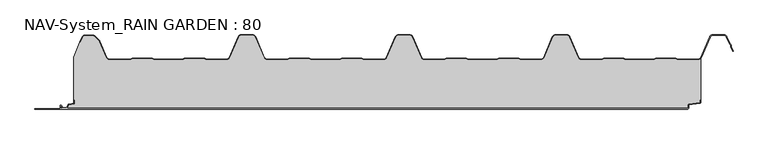
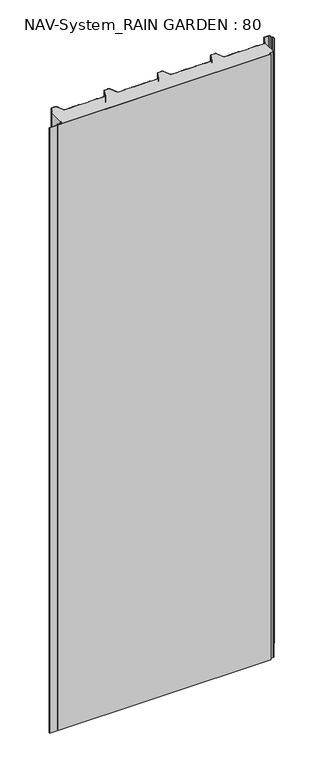
"""IFC4 building model written with IfcOpenShell, lengths in millimetres: plate geometry, NAV-System_RAIN GARDEN : 80."""

from ifc_helpers import new_model, si_unit, point, frame, frame_2d, origin, origin_with_axes, place, context, project, spatial, polyline, circle_curve, trimmed, segment, composite_curve, outline, extrude, source, transform, mapped, element, save


def nav_system_rain_garden_80_a36d8ceb(model_context):
    return source(origin(), model_context, "Body", "SweptSolid", [
        extrude(outline(composite_curve([segment(polyline([(14.6767555, 519.0), (14.6767555, 518.2), (10.3721283, 518.2), (7.8818536, 500.4911207)]), True, "CONTINUOUS"), segment(trimmed(circle_curve(frame_2d((6.3964683, 500.7)), 1.5), [point((7.8818536, 500.4911207))], [point((6.3964683, 499.2))], False, "CARTESIAN"), True, "CONTINUOUS"), segment(polyline([(6.3964683, 499.2), (1.8, 499.2), (1.8, -498.7)]), True, "CONTINUOUS"), segment(trimmed(circle_curve(frame_2d((2.3, -498.7)), 0.5), [point((1.8, -498.7))], [point((2.3, -499.2))], True, "CARTESIAN"), True, "CONTINUOUS"), segment(polyline([(2.3, -499.2), (5.3700191, -499.2)]), True, "CONTINUOUS"), segment(trimmed(circle_curve(frame_2d((5.3700191, -498.7)), 0.5), [point((5.3700191, -499.2))], [point((5.6200191, -498.2669873))], True, "CARTESIAN"), True, "CONTINUOUS"), segment(polyline([(5.6200191, -498.2669873), (2.2, -496.2924383), (2.2, -488.9841833), (7.6866602, -485.8164586), (8.898332, -477.2), (14.6767555, -477.2), (14.6767555, -478.0), (9.5937048, -478.0), (8.5128213, -485.6863953)]), True, "CONTINUOUS"), segment(trimmed(circle_curve(frame_2d((7.2254873, -485.5053666)), 1.3), [point((8.5128213, -485.6863953))], [point((7.8754873, -486.6311996))], False, "CARTESIAN"), True, "CONTINUOUS"), segment(polyline([(7.8754873, -486.6311996), (3.0, -489.4460636), (3.0, -495.8305581), (6.0200191, -497.574167)]), True, "CONTINUOUS"), segment(trimmed(circle_curve(frame_2d((5.3700191, -498.7)), 1.3), [point((6.0200191, -497.574167))], [point((5.3700191, -500.0))], False, "CARTESIAN"), True, "CONTINUOUS"), segment(polyline([(5.3700191, -500.0), (2.3, -500.0)]), True, "CONTINUOUS"), segment(trimmed(circle_curve(frame_2d((2.3, -498.7)), 1.3), [point((2.3, -500.0))], [point((1.0, -498.7))], False, "CARTESIAN"), True, "CONTINUOUS"), segment(polyline([(1.0, -498.7), (1.0, -540.0), (0.0, -540.0), (0.0, 498.7), (1.0, 498.7)]), True, "CONTINUOUS"), segment(trimmed(circle_curve(frame_2d((2.3, 498.7)), 1.3), [point((1.0, 498.7))], [point((2.3, 500.0))], False, "CARTESIAN"), True, "CONTINUOUS"), segment(polyline([(2.3, 500.0), (6.3964683, 500.0)]), True, "CONTINUOUS"), segment(trimmed(circle_curve(frame_2d((6.3964683, 500.7)), 0.7), [point((6.3964683, 500.0))], [point((7.0896481, 500.602523))], True, "CARTESIAN"), True, "CONTINUOUS"), segment(polyline([(7.0896481, 500.602523), (9.5194024, 517.8810287)]), True, "CONTINUOUS"), segment(trimmed(circle_curve(frame_2d((10.8067363, 517.7)), 1.3), [point((9.5194024, 517.8810287))], [point((10.8067363, 519.0))], False, "CARTESIAN"), True, "CONTINUOUS"), segment(polyline([(10.8067363, 519.0), (14.6767555, 519.0)]), True, "CONTINUOUS")], self_intersect=False)), frame((0.0, 0.0, 3000.0), z_axis=(0.0, 0.0, -1.0), x_axis=(0.0, 1.0, 0.0)), (0.0, 0.0, 1.0), 3000.0),
        extrude(outline(composite_curve([segment(polyline([(519.0, 80.6220493), (519.0, 14.6767555), (518.2, 14.6767555), (518.2, 10.3721283), (500.4911207, 7.8818536)]), True, "CONTINUOUS"), segment(trimmed(circle_curve(frame_2d((500.7, 6.3964683)), 1.5), [point((500.4911207, 7.8818536))], [point((499.2, 6.3964683))], True, "CARTESIAN"), True, "CONTINUOUS"), segment(polyline([(499.2, 6.3964683), (499.2, 1.8), (-498.7, 1.8)]), True, "CONTINUOUS"), segment(trimmed(circle_curve(frame_2d((-498.7, 2.3)), 0.5), [point((-498.7, 1.8))], [point((-499.2, 2.3))], False, "CARTESIAN"), True, "CONTINUOUS"), segment(polyline([(-499.2, 2.3), (-499.2, 5.3700191)]), True, "CONTINUOUS"), segment(trimmed(circle_curve(frame_2d((-498.7, 5.3700191)), 0.5), [point((-499.2, 5.3700191))], [point((-498.2669873, 5.6200191))], False, "CARTESIAN"), True, "CONTINUOUS"), segment(polyline([(-498.2669873, 5.6200191), (-496.2924383, 2.2), (-488.9841833, 2.2), (-485.8164586, 7.6866602), (-477.2, 8.898332), (-477.2, 14.6767555), (-478.0, 14.6767555), (-478.0, 83.053822), (-468.3696578, 106.593514), (-467.6292254, 106.2905951), (-464.1022482, 114.9116756)]), True, "CONTINUOUS"), segment(trimmed(circle_curve(frame_2d((-461.1405186, 113.7)), 3.2), [point((-464.1022482, 114.9116756))], [point((-461.1405186, 116.9))], False, "CARTESIAN"), True, "CONTINUOUS"), segment(polyline([(-461.1405186, 116.9), (-447.7344665, 116.9)]), True, "CONTINUOUS"), segment(trimmed(circle_curve(frame_2d((-447.7344665, 112.7)), 4.2), [point((-447.7344665, 116.9))], [point((-444.764618, 115.6698485))], False, "CARTESIAN"), True, "CONTINUOUS"), segment(polyline([(-444.764618, 115.6698485), (-438.3136397, 109.2188701)]), True, "CONTINUOUS"), segment(trimmed(circle_curve(frame_2d((-441.2834882, 106.2490217)), 4.2), [point((-438.3136397, 109.2188701))], [point((-437.4245651, 107.9069459))], False, "CARTESIAN"), True, "CONTINUOUS"), segment(polyline([(-437.4245651, 107.9069459), (-426.3392729, 82.1052295)]), True, "CONTINUOUS"), segment(trimmed(circle_curve(frame_2d((-421.9290751, 84.0)), 4.8), [point((-426.3392729, 82.1052295))], [point((-421.9290751, 79.2))], True, "CARTESIAN"), True, "CONTINUOUS"), segment(polyline([(-421.9290751, 79.2), (-389.1564631, 79.2), (-385.1925378, 80.7), (-353.6825105, 80.7), (-349.6410865, 79.2), (-305.8231298, 79.2), (-301.9276212, 80.6741102), (-270.3491772, 80.7), (-266.3077532, 79.2), (-234.4101978, 79.2)]), True, "CONTINUOUS"), segment(trimmed(circle_curve(frame_2d((-234.4101978, 84.0)), 4.8), [point((-234.4101978, 79.2))], [point((-230.0, 82.1052295))], True, "CARTESIAN"), True, "CONTINUOUS"), segment(polyline([(-230.0, 82.1052295), (-215.7994417, 115.1579242)]), True, "CONTINUOUS"), segment(trimmed(circle_curve(frame_2d((-211.9405186, 113.5)), 4.2), [point((-215.7994417, 115.1579242))], [point((-211.9405186, 117.7))], False, "CARTESIAN"), True, "CONTINUOUS"), segment(polyline([(-211.9405186, 117.7), (-193.5280451, 117.7)]), True, "CONTINUOUS"), segment(trimmed(circle_curve(frame_2d((-193.5280451, 113.5)), 4.2), [point((-193.5280451, 117.7))], [point((-189.669122, 115.1579242))], False, "CARTESIAN"), True, "CONTINUOUS"), segment(polyline([(-189.669122, 115.1579242), (-175.4685637, 82.1052295)]), True, "CONTINUOUS"), segment(trimmed(circle_curve(frame_2d((-171.0583659, 84.0)), 4.8), [point((-175.4685637, 82.1052295))], [point((-171.0583659, 79.2))], True, "CARTESIAN"), True, "CONTINUOUS"), segment(polyline([(-171.0583659, 79.2), (-139.1564631, 79.2), (-135.1925378, 80.7), (-103.6825105, 80.7), (-99.6410865, 79.2), (-55.8231298, 79.2), (-51.9276212, 80.6741102), (-20.3491772, 80.7), (-16.3077532, 79.2), (15.5898022, 79.2)]), True, "CONTINUOUS"), segment(trimmed(circle_curve(frame_2d((15.5898022, 84.0)), 4.8), [point((15.5898022, 79.2))], [point((20.0, 82.1052295))], True, "CARTESIAN"), True, "CONTINUOUS"), segment(polyline([(20.0, 82.1052295), (34.2005583, 115.1579242)]), True, "CONTINUOUS"), segment(trimmed(circle_curve(frame_2d((38.0594814, 113.5)), 4.2), [point((34.2005583, 115.1579242))], [point((38.0594814, 117.7))], False, "CARTESIAN"), True, "CONTINUOUS"), segment(polyline([(38.0594814, 117.7), (56.4719549, 117.7)]), True, "CONTINUOUS"), segment(trimmed(circle_curve(frame_2d((56.4719549, 113.5)), 4.2), [point((56.4719549, 117.7))], [point((60.330878, 115.1579242))], False, "CARTESIAN"), True, "CONTINUOUS"), segment(polyline([(60.330878, 115.1579242), (74.5314363, 82.1052295)]), True, "CONTINUOUS"), segment(trimmed(circle_curve(frame_2d((78.9416341, 84.0)), 4.8), [point((74.5314363, 82.1052295))], [point((78.9416341, 79.2))], True, "CARTESIAN"), True, "CONTINUOUS"), segment(polyline([(78.9416341, 79.2), (110.8435369, 79.2), (114.8074622, 80.7), (146.3174895, 80.7), (150.3589135, 79.2), (194.1768702, 79.2), (198.0723788, 80.6741102), (229.6508228, 80.7), (233.6922468, 79.2), (265.5898022, 79.2)]), True, "CONTINUOUS"), segment(trimmed(circle_curve(frame_2d((265.5898022, 84.0)), 4.8), [point((265.5898022, 79.2))], [point((270.0, 82.1052295))], True, "CARTESIAN"), True, "CONTINUOUS"), segment(polyline([(270.0, 82.1052295), (284.2005583, 115.1579242)]), True, "CONTINUOUS"), segment(trimmed(circle_curve(frame_2d((288.0594814, 113.5)), 4.2), [point((284.2005583, 115.1579242))], [point((288.0594814, 117.7))], False, "CARTESIAN"), True, "CONTINUOUS"), segment(polyline([(288.0594814, 117.7), (306.4719549, 117.7)]), True, "CONTINUOUS"), segment(trimmed(circle_curve(frame_2d((306.4719549, 113.5)), 4.2), [point((306.4719549, 117.7))], [point((310.330878, 115.1579242))], False, "CARTESIAN"), True, "CONTINUOUS"), segment(polyline([(310.330878, 115.1579242), (324.5314363, 82.1052295)]), True, "CONTINUOUS"), segment(trimmed(circle_curve(frame_2d((328.9416341, 84.0)), 4.8), [point((324.5314363, 82.1052295))], [point((328.9416341, 79.2))], True, "CARTESIAN"), True, "CONTINUOUS"), segment(polyline([(328.9416341, 79.2), (360.8435369, 79.2), (364.7390455, 80.6741102), (396.3174895, 80.7), (400.3589135, 79.2), (444.1768702, 79.2), (448.0723788, 80.6741102), (479.6508228, 80.7), (483.6922468, 79.2), (515.5898022, 79.2)]), True, "CONTINUOUS"), segment(trimmed(circle_curve(frame_2d((515.5898022, 84.0)), 4.8), [point((515.5898022, 79.2))], [point((519.0, 80.6220493))], True, "CARTESIAN"), True, "CONTINUOUS")], self_intersect=False)), origin_with_axes(), (0.0, 0.0, 1.0), 3000.0),
        extrude(outline(composite_curve([segment(trimmed(circle_curve(frame_2d((-461.1408608, 113.7)), 4.0), [point((-464.8430228, 115.2145945))], [point((-461.1408608, 117.7))], False, "CARTESIAN"), True, "CONTINUOUS"), segment(polyline([(-461.1408608, 117.7), (-447.7348087, 117.7)]), True, "CONTINUOUS"), segment(trimmed(circle_curve(frame_2d((-447.7348087, 112.7)), 5.0), [point((-447.7348087, 117.7))], [point((-444.1992748, 116.2355339))], False, "CARTESIAN"), True, "CONTINUOUS"), segment(polyline([(-444.1992748, 116.2355339), (-437.7482965, 109.7845556)]), True, "CONTINUOUS"), segment(trimmed(circle_curve(frame_2d((-441.2838304, 106.2490217)), 5.0), [point((-437.7482965, 109.7845556))], [point((-436.6898744, 108.2227409))], False, "CARTESIAN"), True, "CONTINUOUS"), segment(polyline([(-436.6898744, 108.2227409), (-425.6045822, 82.4210246)]), True, "CONTINUOUS"), segment(trimmed(circle_curve(frame_2d((-421.9294173, 84.0)), 4.0), [point((-425.6045822, 82.4210246))], [point((-421.9294173, 80.0))], True, "CARTESIAN"), True, "CONTINUOUS"), segment(polyline([(-421.9294173, 80.0), (-389.3031082, 80.0), (-385.3391828, 81.5), (-353.4633986, 81.5), (-349.4994732, 80.0), (-305.9697749, 80.0), (-302.0058495, 81.5), (-270.1300653, 81.5), (-266.1661399, 80.0), (-234.41054, 80.0)]), True, "CONTINUOUS"), segment(trimmed(circle_curve(frame_2d((-234.41054, 84.0)), 4.0), [point((-234.41054, 80.0))], [point((-230.7353752, 82.4210246))], True, "CARTESIAN"), True, "CONTINUOUS"), segment(polyline([(-230.7353752, 82.4210246), (-216.5348169, 115.4737193)]), True, "CONTINUOUS"), segment(trimmed(circle_curve(frame_2d((-211.9408608, 113.5)), 5.0), [point((-216.5348169, 115.4737193))], [point((-211.9408608, 118.5))], False, "CARTESIAN"), True, "CONTINUOUS"), segment(polyline([(-211.9408608, 118.5), (-193.5283873, 118.5)]), True, "CONTINUOUS"), segment(trimmed(circle_curve(frame_2d((-193.5283873, 113.5)), 5.0), [point((-193.5283873, 118.5))], [point((-188.9344313, 115.4737193))], False, "CARTESIAN"), True, "CONTINUOUS"), segment(polyline([(-188.9344313, 115.4737193), (-174.7338729, 82.4210246)]), True, "CONTINUOUS"), segment(trimmed(circle_curve(frame_2d((-171.0587081, 84.0)), 4.0), [point((-174.7338729, 82.4210246))], [point((-171.0587081, 80.0))], True, "CARTESIAN"), True, "CONTINUOUS"), segment(polyline([(-171.0587081, 80.0), (-139.3031082, 80.0), (-135.3391828, 81.5), (-103.4633986, 81.5), (-99.4994732, 80.0), (-55.9697749, 80.0), (-52.0058495, 81.5), (-20.1300653, 81.5), (-16.1661399, 80.0), (15.58946, 80.0)]), True, "CONTINUOUS"), segment(trimmed(circle_curve(frame_2d((15.58946, 84.0)), 4.0), [point((15.58946, 80.0))], [point((19.2646248, 82.4210246))], True, "CARTESIAN"), True, "CONTINUOUS"), segment(polyline([(19.2646248, 82.4210246), (33.4651831, 115.4737193)]), True, "CONTINUOUS"), segment(trimmed(circle_curve(frame_2d((38.0591392, 113.5)), 5.0), [point((33.4651831, 115.4737193))], [point((38.0591392, 118.5))], False, "CARTESIAN"), True, "CONTINUOUS"), segment(polyline([(38.0591392, 118.5), (56.4716127, 118.5)]), True, "CONTINUOUS"), segment(trimmed(circle_curve(frame_2d((56.4716127, 113.5)), 5.0), [point((56.4716127, 118.5))], [point((61.0655687, 115.4737193))], False, "CARTESIAN"), True, "CONTINUOUS"), segment(polyline([(61.0655687, 115.4737193), (75.2661271, 82.4210246)]), True, "CONTINUOUS"), segment(trimmed(circle_curve(frame_2d((78.9412919, 84.0)), 4.0), [point((75.2661271, 82.4210246))], [point((78.9412919, 80.0))], True, "CARTESIAN"), True, "CONTINUOUS"), segment(polyline([(78.9412919, 80.0), (110.6968918, 80.0), (114.6608172, 81.5), (146.5366014, 81.5), (150.5005268, 80.0), (194.0302251, 80.0), (197.9941505, 81.5), (229.8699347, 81.5), (233.8338601, 80.0), (265.58946, 80.0)]), True, "CONTINUOUS"), segment(trimmed(circle_curve(frame_2d((265.58946, 84.0)), 4.0), [point((265.58946, 80.0))], [point((269.2646248, 82.4210246))], True, "CARTESIAN"), True, "CONTINUOUS"), segment(polyline([(269.2646248, 82.4210246), (283.4651831, 115.4737193)]), True, "CONTINUOUS"), segment(trimmed(circle_curve(frame_2d((288.0591392, 113.5)), 5.0), [point((283.4651831, 115.4737193))], [point((288.0591392, 118.5))], False, "CARTESIAN"), True, "CONTINUOUS"), segment(polyline([(288.0591392, 118.5), (306.4716127, 118.5)]), True, "CONTINUOUS"), segment(trimmed(circle_curve(frame_2d((306.4716127, 113.5)), 5.0), [point((306.4716127, 118.5))], [point((311.0655687, 115.4737193))], False, "CARTESIAN"), True, "CONTINUOUS"), segment(polyline([(311.0655687, 115.4737193), (325.2661271, 82.4210246)]), True, "CONTINUOUS"), segment(trimmed(circle_curve(frame_2d((328.9412919, 84.0)), 4.0), [point((325.2661271, 82.4210246))], [point((328.9412919, 80.0))], True, "CARTESIAN"), True, "CONTINUOUS"), segment(polyline([(328.9412919, 80.0), (360.6968918, 80.0), (364.6608172, 81.5), (396.5366014, 81.5), (400.5005268, 80.0), (444.0302251, 80.0), (447.9941505, 81.5), (479.8699347, 81.5), (483.8338601, 80.0), (515.58946, 80.0)]), True, "CONTINUOUS"), segment(trimmed(circle_curve(frame_2d((515.58946, 84.0)), 4.0), [point((515.58946, 80.0))], [point((519.2646248, 82.4210246))], True, "CARTESIAN"), True, "CONTINUOUS"), segment(polyline([(519.2646248, 82.4210246), (533.4651831, 115.4737193)]), True, "CONTINUOUS"), segment(trimmed(circle_curve(frame_2d((538.0591392, 113.5)), 5.0), [point((533.4651831, 115.4737193))], [point((538.0591392, 118.5))], False, "CARTESIAN"), True, "CONTINUOUS"), segment(polyline([(538.0591392, 118.5), (556.4716127, 118.5)]), True, "CONTINUOUS"), segment(trimmed(circle_curve(frame_2d((556.4716127, 113.5)), 5.0), [point((556.4716127, 118.5))], [point((561.0655687, 115.4737193))], False, "CARTESIAN"), True, "CONTINUOUS"), segment(polyline([(561.0655687, 115.4737193), (565.9006789, 104.2196957), (567.9230626, 102.4138642), (567.8408612, 99.703799), (570.8182039, 92.7738461), (570.0831709, 92.458051), (567.0358547, 99.5508717), (567.1121268, 102.0654564), (565.2356202, 103.741031), (560.3305358, 115.1579242)]), True, "CONTINUOUS"), segment(trimmed(circle_curve(frame_2d((556.4716127, 113.5)), 4.2), [point((560.3305358, 115.1579242))], [point((556.4716127, 117.7))], True, "CARTESIAN"), True, "CONTINUOUS"), segment(polyline([(556.4716127, 117.7), (538.0591392, 117.7)]), True, "CONTINUOUS"), segment(trimmed(circle_curve(frame_2d((538.0591392, 113.5)), 4.2), [point((538.0591392, 117.7))], [point((534.2002161, 115.1579242))], True, "CARTESIAN"), True, "CONTINUOUS"), segment(polyline([(534.2002161, 115.1579242), (519.9996578, 82.1052295)]), True, "CONTINUOUS"), segment(trimmed(circle_curve(frame_2d((515.58946, 84.0)), 4.8), [point((519.9996578, 82.1052295))], [point((515.58946, 79.2))], False, "CARTESIAN"), True, "CONTINUOUS"), segment(polyline([(515.58946, 79.2), (483.6919046, 79.2), (479.6504806, 80.7), (448.0720366, 80.6741102), (444.1765279, 79.2), (400.3585713, 79.2), (396.3171473, 80.7), (364.7387033, 80.6741102), (360.8431946, 79.2), (328.9412919, 79.2)]), True, "CONTINUOUS"), segment(trimmed(circle_curve(frame_2d((328.9412919, 84.0)), 4.8), [point((328.9412919, 79.2))], [point((324.5310941, 82.1052295))], False, "CARTESIAN"), True, "CONTINUOUS"), segment(polyline([(324.5310941, 82.1052295), (310.3305358, 115.1579242)]), True, "CONTINUOUS"), segment(trimmed(circle_curve(frame_2d((306.4716127, 113.5)), 4.2), [point((310.3305358, 115.1579242))], [point((306.4716127, 117.7))], True, "CARTESIAN"), True, "CONTINUOUS"), segment(polyline([(306.4716127, 117.7), (288.0591392, 117.7)]), True, "CONTINUOUS"), segment(trimmed(circle_curve(frame_2d((288.0591392, 113.5)), 4.2), [point((288.0591392, 117.7))], [point((284.2002161, 115.1579242))], True, "CARTESIAN"), True, "CONTINUOUS"), segment(polyline([(284.2002161, 115.1579242), (269.9996578, 82.1052295)]), True, "CONTINUOUS"), segment(trimmed(circle_curve(frame_2d((265.58946, 84.0)), 4.8), [point((269.9996578, 82.1052295))], [point((265.58946, 79.2))], False, "CARTESIAN"), True, "CONTINUOUS"), segment(polyline([(265.58946, 79.2), (233.6919046, 79.2), (229.6504806, 80.7), (198.0720366, 80.6741102), (194.1765279, 79.2), (150.3585713, 79.2), (146.3171473, 80.7), (114.7387033, 80.6741102), (110.8431946, 79.2), (78.9412919, 79.2)]), True, "CONTINUOUS"), segment(trimmed(circle_curve(frame_2d((78.9412919, 84.0)), 4.8), [point((78.9412919, 79.2))], [point((74.5310941, 82.1052295))], False, "CARTESIAN"), True, "CONTINUOUS"), segment(polyline([(74.5310941, 82.1052295), (60.3305358, 115.1579242)]), True, "CONTINUOUS"), segment(trimmed(circle_curve(frame_2d((56.4716127, 113.5)), 4.2), [point((60.3305358, 115.1579242))], [point((56.4716127, 117.7))], True, "CARTESIAN"), True, "CONTINUOUS"), segment(polyline([(56.4716127, 117.7), (38.0591392, 117.7)]), True, "CONTINUOUS"), segment(trimmed(circle_curve(frame_2d((38.0591392, 113.5)), 4.2), [point((38.0591392, 117.7))], [point((34.2002161, 115.1579242))], True, "CARTESIAN"), True, "CONTINUOUS"), segment(polyline([(34.2002161, 115.1579242), (19.9996578, 82.1052295)]), True, "CONTINUOUS"), segment(trimmed(circle_curve(frame_2d((15.58946, 84.0)), 4.8), [point((19.9996578, 82.1052295))], [point((15.58946, 79.2))], False, "CARTESIAN"), True, "CONTINUOUS"), segment(polyline([(15.58946, 79.2), (-16.3080954, 79.2), (-20.3495194, 80.7), (-51.9279634, 80.6741102), (-55.8234721, 79.2), (-99.6414287, 79.2), (-103.6828527, 80.7), (-135.2612967, 80.6741102), (-139.1568054, 79.2), (-171.0587081, 79.2)]), True, "CONTINUOUS"), segment(trimmed(circle_curve(frame_2d((-171.0587081, 84.0)), 4.8), [point((-171.0587081, 79.2))], [point((-175.4689059, 82.1052295))], False, "CARTESIAN"), True, "CONTINUOUS"), segment(polyline([(-175.4689059, 82.1052295), (-189.6694642, 115.1579242)]), True, "CONTINUOUS"), segment(trimmed(circle_curve(frame_2d((-193.5283873, 113.5)), 4.2), [point((-189.6694642, 115.1579242))], [point((-193.5283873, 117.7))], True, "CARTESIAN"), True, "CONTINUOUS"), segment(polyline([(-193.5283873, 117.7), (-211.9408608, 117.7)]), True, "CONTINUOUS"), segment(trimmed(circle_curve(frame_2d((-211.9408608, 113.5)), 4.2), [point((-211.9408608, 117.7))], [point((-215.7997839, 115.1579242))], True, "CARTESIAN"), True, "CONTINUOUS"), segment(polyline([(-215.7997839, 115.1579242), (-230.0003422, 82.1052295)]), True, "CONTINUOUS"), segment(trimmed(circle_curve(frame_2d((-234.41054, 84.0)), 4.8), [point((-230.0003422, 82.1052295))], [point((-234.41054, 79.2))], False, "CARTESIAN"), True, "CONTINUOUS"), segment(polyline([(-234.41054, 79.2), (-266.3080954, 79.2), (-270.3495194, 80.7), (-301.9279634, 80.6741102), (-305.8234721, 79.2), (-349.6414287, 79.2), (-353.6828527, 80.7), (-385.19288, 80.7), (-389.1568054, 79.2), (-421.9294173, 79.2)]), True, "CONTINUOUS"), segment(trimmed(circle_curve(frame_2d((-421.9294173, 84.0)), 4.8), [point((-421.9294173, 79.2))], [point((-426.3396151, 82.1052295))], False, "CARTESIAN"), True, "CONTINUOUS"), segment(polyline([(-426.3396151, 82.1052295), (-437.4249073, 107.9069459)]), True, "CONTINUOUS"), segment(trimmed(circle_curve(frame_2d((-441.2838304, 106.2490217)), 4.2), [point((-437.4249073, 107.9069459))], [point((-438.3139819, 109.2188701))], True, "CARTESIAN"), True, "CONTINUOUS"), segment(polyline([(-438.3139819, 109.2188701), (-444.7649603, 115.6698485)]), True, "CONTINUOUS"), segment(trimmed(circle_curve(frame_2d((-447.7348087, 112.7)), 4.2), [point((-444.7649603, 115.6698485))], [point((-447.7348087, 116.9))], True, "CARTESIAN"), True, "CONTINUOUS"), segment(polyline([(-447.7348087, 116.9), (-461.1408608, 116.9)]), True, "CONTINUOUS"), segment(trimmed(circle_curve(frame_2d((-461.1408608, 113.7)), 3.2), [point((-461.1408608, 116.9))], [point((-464.1025904, 114.9116756))], True, "CARTESIAN"), True, "CONTINUOUS"), segment(polyline([(-464.1025904, 114.9116756), (-467.6295676, 106.2905951), (-468.37, 106.593514), (-464.8430228, 115.2145945)]), True, "CONTINUOUS")], self_intersect=False)), origin_with_axes(), (0.0, 0.0, 1.0), 3000.0),
    ])


if __name__ == "__main__":
    model = new_model("IFC4")
    model_context = context("Model", 3, world=origin())
    ifc_project = project(units=[si_unit("LENGTHUNIT", "METRE", prefix="MILLI")], contexts=[model_context])
    site = spatial("IfcSite", under=ifc_project)
    building = spatial("IfcBuilding", under=site)
    placement = place(None, origin())
    nav_system_rain_garden_80_shape = nav_system_rain_garden_80_a36d8ceb(model_context)
    element("IfcPlate", 1, ObjectType="NAV-System_RAIN GARDEN : 80", at=placement, inside=building, context=model_context, shape_type="MappedRepresentation", body=[
        mapped(nav_system_rain_garden_80_shape, transform((0.0, 0.0, 0.0), x_axis=(1.0, 0.0, 0.0), y_axis=(0.0, 1.0, 0.0), z_axis=(0.0, 0.0, 1.0))),
    ])
    save(model, "model.ifc")
